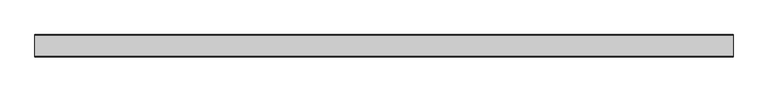
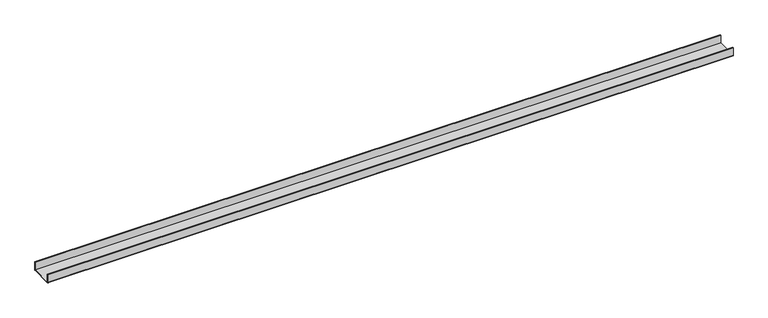
"""IFC4 building model written with IfcOpenShell, lengths in millimetres: proxy geometry."""

from ifc_helpers import new_model, si_unit, point, frame, frame_2d, origin, place, context, project, spatial, polyline, circle_curve, trimmed, segment, composite_curve, outline, extrude, source, transform, mapped, element, save


def generic_models_45635c3b(model_context):
    return source(origin(), model_context, "Body", "SweptSolid", [
        extrude(outline(composite_curve([segment(polyline([(-50.5, 2.0), (-50.5, 40.0), (-48.5, 40.0), (-48.5, 2.0), (48.5, 2.0), (48.5, 40.0), (50.5, 40.0), (50.5, 2.0)]), True, "CONTINUOUS"), segment(trimmed(circle_curve(frame_2d((48.5, 2.0)), 2.0), [point((50.5, 2.0))], [point((48.5, 0.0))], False, "CARTESIAN"), True, "CONTINUOUS"), segment(polyline([(48.5, 0.0), (-48.5, 0.0)]), True, "CONTINUOUS"), segment(trimmed(circle_curve(frame_2d((-48.5, 2.0)), 2.0), [point((-48.5, 0.0))], [point((-50.5, 2.0))], False, "CARTESIAN"), True, "CONTINUOUS")], self_intersect=False)), frame((0.0, 0.0, 0.0), z_axis=(1.0, 0.0, 0.0), x_axis=(0.0, 1.0, 0.0)), (0.0, 0.0, 1.0), 3143.8639689),
    ])


if __name__ == "__main__":
    model = new_model("IFC4")
    model_context = context("Model", 3, world=origin())
    ifc_project = project(units=[si_unit("LENGTHUNIT", "METRE", prefix="MILLI")], contexts=[model_context])
    site = spatial("IfcSite", under=ifc_project)
    building = spatial("IfcBuilding", under=site)
    placement = place(None, origin())
    generic_models_shape = generic_models_45635c3b(model_context)
    element("IfcBuildingElementProxy", 1, Name="Generic Models", at=placement, inside=building, context=model_context, shape_type="MappedRepresentation", body=[
        mapped(generic_models_shape, transform((0.0, 0.0, 0.0), x_axis=(1.0, 0.0, 0.0), y_axis=(0.0, 1.0, 0.0), z_axis=(0.0, 0.0, 1.0))),
    ])
    save(model, "model.ifc")
